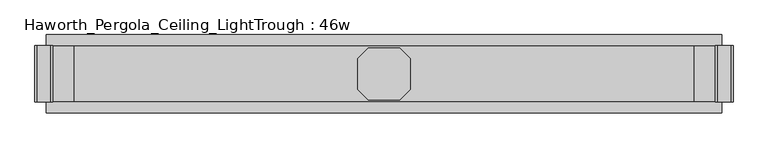
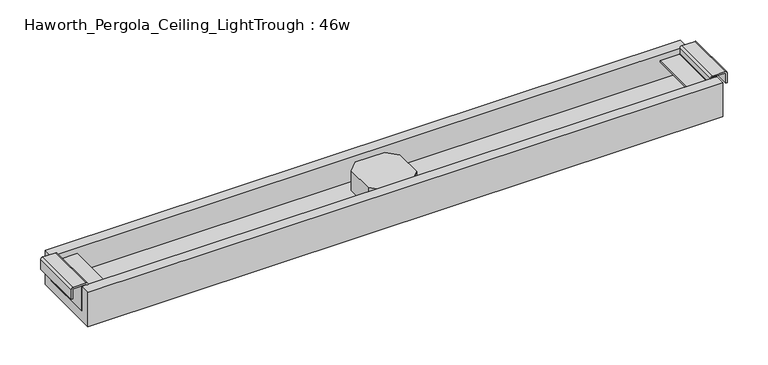
"""IFC4 building model written with IfcOpenShell, lengths in millimetres: furniture geometry, Haworth_Pergola_Ceiling_LightTrough : 46w."""

from ifc_helpers import new_model, si_unit, point, frame, frame_2d, origin, place, context, project, spatial, polyline, circle_curve, trimmed, segment, composite_curve, outline, extrude, source, transform, mapped, element, save


def haworth_pergola_ceiling_lighttrough_46w_9c6eadfa(model_context):
    return source(origin(), model_context, "Body", "SweptSolid", [
        extrude(outline(polyline([(-299.7580002, 26.8840513), (-281.6840485, 44.9580002), (-227.9159516, 44.9580002), (-209.8419998, 26.8840513), (-209.8419998, -26.8840485), (-227.9159516, -44.9580002), (-281.6840485, -44.9580002), (-299.7580002, -26.8840485), (-299.7580002, 26.8840513)])), frame((0.0, 0.0, 2389.4796), z_axis=(0.0, 0.0, 1.0), x_axis=(1.0, 0.0, 0.0)), (0.0, 0.0, 1.0), 38.0999994),
        extrude(outline(composite_curve([segment(polyline([(2418.3545999, 348.7534303), (2437.4045999, 348.7534303)]), True, "CONTINUOUS"), segment(trimmed(circle_curve(frame_2d((2437.4045999, 345.0934293)), 3.660001), [point((2437.4045999, 348.7534303))], [point((2441.0646008, 345.0934293))], False, "CARTESIAN"), True, "CONTINUOUS"), segment(polyline([(2441.0646008, 345.0934293), (2441.0646008, 321.6934303)]), True, "CONTINUOUS"), segment(trimmed(circle_curve(frame_2d((2437.0478931, 322.0670697)), 4.0340485), [point((2441.0646008, 321.6934303))], [point((2437.0478931, 318.0330212))], False, "CARTESIAN"), True, "CONTINUOUS"), segment(polyline([(2437.0478931, 318.0330212), (2426.6645986, 318.0330212), (2425.6646, 317.0330226), (2425.6646, 281.5434301), (2423.0046, 281.5434301), (2423.0046, 317.0334301), (2423.0046, 327.4999999), (2389.4796, 327.4999999), (2389.4796, 329.4), (2437.0478931, 329.4), (2437.0478931, 327.4999999), (2426.6645986, 327.4999999), (2426.6645986, 320.69343), (2437.0478931, 320.69343), (2438.4045979, 321.6934303), (2438.4045979, 345.0934316), (2437.4045999, 346.0934296), (2418.3545999, 346.0934296), (2418.3545999, 348.7534303)]), True, "CONTINUOUS")], self_intersect=False)), frame((0.0, -48.650001, 0.0), z_axis=(0.0, 1.0, 0.0), x_axis=(0.0, 0.0, 1.0)), (0.0, 0.0, 1.0), 97.3000021),
        extrude(outline(composite_curve([segment(polyline([(2418.3545999, -858.3534303), (2418.3545999, -855.6934296), (2437.4045999, -855.6934296), (2438.4045979, -854.6934316), (2438.4045979, -831.2934303), (2437.0478931, -830.29343), (2426.6645986, -830.29343), (2426.6645986, -837.1), (2437.0478931, -837.1), (2437.0478931, -839.0), (2389.4796, -839.0), (2389.4796, -837.1), (2423.0046, -837.1), (2423.0046, -826.6334301), (2423.0046, -791.1434301), (2425.6646, -791.1434301), (2425.6646, -826.6330226), (2426.6645986, -827.6330212), (2437.0478931, -827.6330212)]), True, "CONTINUOUS"), segment(trimmed(circle_curve(frame_2d((2437.0478931, -831.6670697)), 4.0340485), [point((2437.0478931, -827.6330212))], [point((2441.0646008, -831.2934303))], False, "CARTESIAN"), True, "CONTINUOUS"), segment(polyline([(2441.0646008, -831.2934303), (2441.0646008, -854.6934294)]), True, "CONTINUOUS"), segment(trimmed(circle_curve(frame_2d((2437.4045999, -854.6934294)), 3.660001), [point((2441.0646008, -854.6934294))], [point((2437.4045999, -858.3534303))], False, "CARTESIAN"), True, "CONTINUOUS"), segment(polyline([(2437.4045999, -858.3534303), (2418.3545999, -858.3534303)]), True, "CONTINUOUS")], self_intersect=False)), frame((0.0, -48.650001, 0.0), z_axis=(0.0, 1.0, 0.0), x_axis=(0.0, 0.0, 1.0)), (0.0, 0.0, 1.0), 97.3000021),
        extrude(outline(polyline([(67.700001, 2370.4296), (-67.700001, 2370.4296), (-67.700001, 2437.0478931), (-48.650001, 2437.0478931), (-48.650001, 2389.4796), (48.650001, 2389.4796), (48.650001, 2437.0478931), (67.700001, 2437.0478931), (67.700001, 2370.4296)])), frame((-839.0, 0.0, 0.0), z_axis=(1.0, 0.0, 0.0), x_axis=(0.0, 1.0, 0.0)), (0.0, 0.0, 1.0), 1168.4),
    ])


if __name__ == "__main__":
    model = new_model("IFC4")
    model_context = context("Model", 3, world=origin())
    ifc_project = project(units=[si_unit("LENGTHUNIT", "METRE", prefix="MILLI")], contexts=[model_context])
    site = spatial("IfcSite", under=ifc_project)
    building = spatial("IfcBuilding", under=site)
    placement = place(None, origin())
    haworth_pergola_ceiling_lighttrough_46w_shape = haworth_pergola_ceiling_lighttrough_46w_9c6eadfa(model_context)
    element("IfcFurniture", 1, ObjectType="Haworth_Pergola_Ceiling_LightTrough : 46w", at=placement, inside=building, context=model_context, shape_type="MappedRepresentation", body=[
        mapped(haworth_pergola_ceiling_lighttrough_46w_shape, transform((0.0, 0.0, 0.0), x_axis=(1.0, 0.0, 0.0), y_axis=(0.0, 1.0, 0.0), z_axis=(0.0, 0.0, 1.0))),
    ])
    save(model, "model.ifc")
